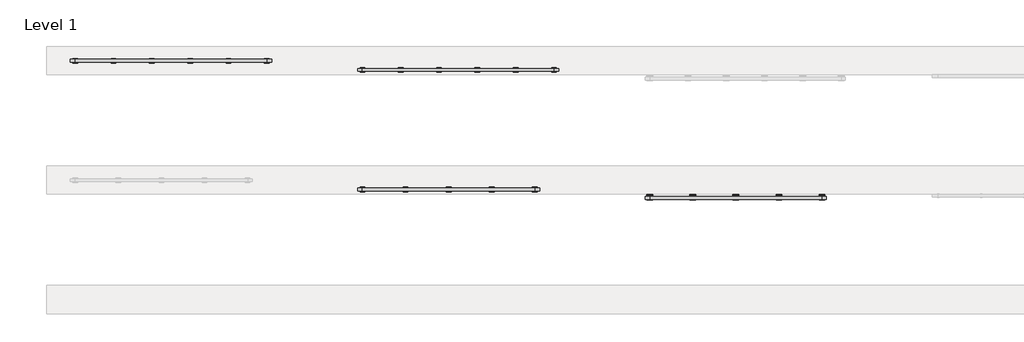
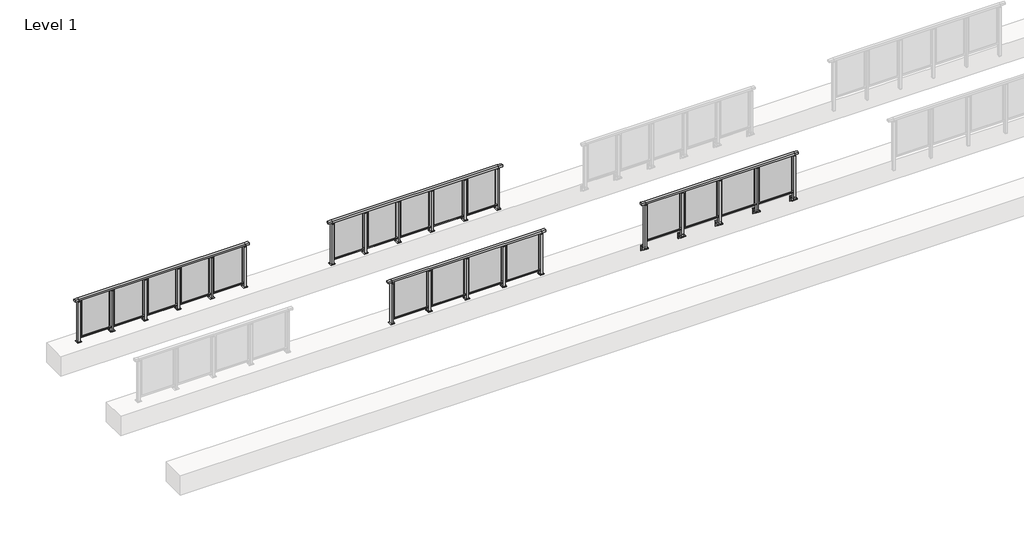
# One storey, part 28 of 37: 4 railings.
"""IFC4 building model written with IfcOpenShell, lengths in millimetres."""

import ifcopenshell
import ifcopenshell.guid

model = None  # the IFC model being written
_history = None  # IfcOwnerHistory: only IFC2X3 demands one
_inside = {}  # id of a spatial element -> (the spatial element, [elements in it])
_under = {}  # id of a project, library or spatial element -> (it, [spatial elements below it])
_declared = {}  # id of a project -> (the project, [libraries it declares])
_typed = {}  # id of a type object -> (the type object, [elements of that type])
_made_of = {}  # id of a material, layer set ... -> (it, [elements and type objects made of it])


def new_model(schema):
    """Start an empty IFC model of exactly this schema.

    Asked for "IFC4X3", IfcOpenShell would pick the latest addendum, in which some entities
    have other attributes; the version numbers below select the first issue.
    IFC2X3 requires an IfcOwnerHistory on every rooted entity: one is made here for all.
    """
    global model, _history
    if schema == "IFC4X3":
        model = ifcopenshell.file(schema_version=(4, 3, 0, 0))
    else:
        model = ifcopenshell.file(schema=schema)
    _inside.clear()
    _under.clear()
    _declared.clear()
    _typed.clear()
    _made_of.clear()
    _history = None
    if model.schema == "IFC2X3":
        org = make("IfcOrganization", Name="unknown")
        user = make(
            "IfcPersonAndOrganization",
            ThePerson=make("IfcPerson", FamilyName="unknown"),
            TheOrganization=org,
        )
        app = make(
            "IfcApplication",
            ApplicationDeveloper=org,
            Version="unknown",
            ApplicationFullName="unknown",
            ApplicationIdentifier="unknown",
        )
        _history = make(
            "IfcOwnerHistory",
            OwningUser=user,
            OwningApplication=app,
            ChangeAction="ADDED",
            CreationDate=0,
        )
    return model


def make(cls, **values):
    """One entity of the class cls with the attributes given. An attribute that is None is left unset."""
    return model.create_entity(
        cls, **{name: value for name, value in values.items() if value is not None}
    )


def rooted(cls, **values):
    """An entity with a GlobalId (a new one), such as an element, a storey or a relation."""
    return make(cls, GlobalId=ifcopenshell.guid.new(), OwnerHistory=_history, **values)


def si_unit(unit_type, name, prefix=None):
    """IfcSIUnit, for example si_unit("LENGTHUNIT", "METRE", prefix="MILLI")."""
    return make("IfcSIUnit", UnitType=unit_type, Prefix=prefix, Name=name)


def assignment(units):
    """IfcUnitAssignment: the units of a project."""
    return None if units is None else make("IfcUnitAssignment", Units=units)


def point(xyz):
    """IfcCartesianPoint."""
    return None if xyz is None else make("IfcCartesianPoint", Coordinates=xyz)


def direction(xyz):
    """IfcDirection."""
    return None if xyz is None else make("IfcDirection", DirectionRatios=xyz)


def frame(location, z_axis=None, x_axis=None):
    """IfcAxis2Placement3D, a coordinate frame: its origin and axes. An axis left out is left unset."""
    return make(
        "IfcAxis2Placement3D",
        Location=point(location),
        Axis=direction(z_axis),
        RefDirection=direction(x_axis),
    )


def frame_2d(location, x_axis=None):
    """IfcAxis2Placement2D, a coordinate frame in the plane: its origin and x axis."""
    return make(
        "IfcAxis2Placement2D", Location=point(location), RefDirection=direction(x_axis)
    )


def origin():
    """The frame at (0, 0, 0) with its axes left unset."""
    return frame((0.0, 0.0, 0.0))


def origin_with_axes():
    """The frame at (0, 0, 0) with the z axis (0, 0, 1) and the x axis (1, 0, 0) written out."""
    return frame((0.0, 0.0, 0.0), z_axis=(0.0, 0.0, 1.0), x_axis=(1.0, 0.0, 0.0))


def place(relative_to, where):
    """IfcLocalPlacement: puts the frame where relative to a parent placement (None: the world)."""
    return make(
        "IfcLocalPlacement", PlacementRelTo=relative_to, RelativePlacement=where
    )


def context(
    kind, dimensions, precision=None, world=None, true_north=None, identifier=None
):
    """IfcGeometricRepresentationContext, for example the 3D "Model" context."""
    return make(
        "IfcGeometricRepresentationContext",
        ContextIdentifier=identifier,
        ContextType=kind,
        CoordinateSpaceDimension=dimensions,
        Precision=precision,
        WorldCoordinateSystem=world,
        TrueNorth=true_north,
    )


def project(units=None, contexts=None):
    """IfcProject with its units and contexts."""
    return rooted(
        "IfcProject",
        Name="project",
        RepresentationContexts=contexts,
        UnitsInContext=assignment(units),
    )


def spatial(cls, under=None, at=None, **own):
    """A site, building, storey or space (cls), placed at a placement, below another one or the project."""
    s = rooted(cls, ObjectPlacement=at, **own)
    if under is not None:
        _under.setdefault(under.id(), (under, []))[1].append(s)
    return s


def polyline(points):
    """IfcPolyline through the points."""
    return make("IfcPolyline", Points=[point(p) for p in points])


def circle_curve(where, radius):
    """IfcCircle in the frame where."""
    return make("IfcCircle", Position=where, Radius=radius)


def trimmed(basis, trim1, trim2, sense, master):
    """IfcTrimmedCurve: the piece of a basis curve between two trims."""
    return make(
        "IfcTrimmedCurve",
        BasisCurve=basis,
        Trim1=trim1,
        Trim2=trim2,
        SenseAgreement=sense,
        MasterRepresentation=master,
    )


def segment(curve, same_sense, transition):
    """IfcCompositeCurveSegment."""
    return make(
        "IfcCompositeCurveSegment",
        Transition=transition,
        SameSense=same_sense,
        ParentCurve=curve,
    )


def composite_curve(segments, self_intersect=None):
    """IfcCompositeCurve: segments joined end to end."""
    return make("IfcCompositeCurve", Segments=segments, SelfIntersect=self_intersect)


def outline(outer, holes=None, kind="AREA"):
    """IfcArbitraryClosedProfileDef: a profile drawn as a closed curve; with holes, ...WithVoids."""
    if holes is None:
        return make("IfcArbitraryClosedProfileDef", ProfileType=kind, OuterCurve=outer)
    return make(
        "IfcArbitraryProfileDefWithVoids",
        ProfileType=kind,
        OuterCurve=outer,
        InnerCurves=holes,
    )


def extrude(swept, where, along, depth):
    """IfcExtrudedAreaSolid: the profile swept, set in the frame where, extruded along a direction by depth."""
    return make(
        "IfcExtrudedAreaSolid",
        SweptArea=swept,
        Position=where,
        ExtrudedDirection=direction(along),
        Depth=depth,
    )


def faces_of(points, faces, orient=None, outer=None):
    """IfcFace entities. A face is a list of loops; a loop is a list of indices into points, from 0.

    orient and outer hold one flag for each loop. By default every Orientation is true, the
    first loop of a face is its IfcFaceOuterBound and the others are IfcFaceBound.
    """
    made = []
    for i, loops in enumerate(faces):
        bounds = []
        for j, loop in enumerate(loops):
            is_outer = j == 0 if outer is None else outer[i][j]
            bounds.append(
                make(
                    "IfcFaceOuterBound" if is_outer else "IfcFaceBound",
                    Bound=make("IfcPolyLoop", Polygon=[points[k] for k in loop]),
                    Orientation=True if orient is None else orient[i][j],
                )
            )
        made.append(make("IfcFace", Bounds=bounds))
    return made


def faceted_brep(points, faces, orient=None, outer=None, voids=None):
    """IfcFacetedBrep: a solid bounded by flat faces; with voids (closed shells), ...WithVoids."""
    shared = [point(p) for p in points]
    hull = make("IfcClosedShell", CfsFaces=faces_of(shared, faces, orient, outer))
    if voids is None:
        return make("IfcFacetedBrep", Outer=hull)
    return make(
        "IfcFacetedBrepWithVoids",
        Outer=hull,
        Voids=[
            make(cls, CfsFaces=faces_of(shared, fs, o, b)) for cls, fs, o, b in voids
        ],
    )


def shape(context_of_items, identifier, shape_type, items):
    """IfcShapeRepresentation: the items that make up one representation, for example the "Body"."""
    return make(
        "IfcShapeRepresentation",
        ContextOfItems=context_of_items,
        RepresentationIdentifier=identifier,
        RepresentationType=shape_type,
        Items=items,
    )


def made_of(thing, what):
    """Note that an element or type object is made of a material, layer set ...; save() writes the relation."""
    if what is not None:
        _made_of.setdefault(what.id(), (what, []))[1].append(thing)
    return thing


def element(
    cls,
    number,
    at=None,
    inside=None,
    cuts=None,
    type_object=None,
    material=None,
    context=None,
    identifier="Body",
    shape_type=None,
    held_by="IfcProductDefinitionShape",
    body=None,
    shapes=None,
    **own,
):
    """One element of the class cls, such as IfcWall. Its Tag is "e" and its number.

    at: its placement. inside: the storey or other place that contains it. cuts: it is an
    opening in that element (IfcRelVoidsElement). A single representation is given by context,
    identifier, shape_type and body (its items); several are given by shapes. held_by: the class
    of the entity that holds the representations. save() writes the other relations.
    """
    e = rooted(cls, Tag="e%d" % number, ObjectPlacement=at, **own)
    if body is not None:
        shapes = [shape(context, identifier, shape_type, body)]
    if shapes is not None:
        e.Representation = make(held_by, Representations=shapes)
    if inside is not None:
        _inside.setdefault(inside.id(), (inside, []))[1].append(e)
    if cuts is not None:
        rooted(
            "IfcRelVoidsElement", RelatingBuildingElement=cuts, RelatedOpeningElement=e
        )
    if type_object is not None:
        _typed.setdefault(type_object.id(), (type_object, []))[1].append(e)
    return made_of(e, material)


def aggregate(whole, parts):
    """IfcRelAggregates: a whole, such as a stair, and the parts it consists of."""
    return rooted("IfcRelAggregates", RelatingObject=whole, RelatedObjects=parts)


def save(model, path):
    """Write the relations noted so far, then the file.

    IfcRelAggregates (storeys below a building ...), IfcRelContainedInSpatialStructure (elements
    in a storey), IfcRelDefinesByType, IfcRelAssociatesMaterial and IfcRelDeclares: one each for
    every whole, place, type object, material and project.
    """
    for whole, parts in _under.values():
        aggregate(whole, parts)
    for where, things in _inside.values():
        rooted(
            "IfcRelContainedInSpatialStructure",
            RelatedElements=things,
            RelatingStructure=where,
        )
    for kind, things in _typed.values():
        rooted("IfcRelDefinesByType", RelatedObjects=things, RelatingType=kind)
    for what, things in _made_of.values():
        rooted("IfcRelAssociatesMaterial", RelatedObjects=things, RelatingMaterial=what)
    for by, libraries in _declared.values():
        rooted("IfcRelDeclares", RelatingContext=by, RelatedDefinitions=libraries)
    model.write(path)


model = new_model("IFC4")

# Units and contexts
model_context = context("Model", 3, world=origin())
ifc_project = project(units=[si_unit("LENGTHUNIT", "METRE", prefix="MILLI")], contexts=[model_context])

# Site, building, storey
site = spatial("IfcSite", under=ifc_project)
building = spatial("IfcBuilding", under=site)
storey = spatial("IfcBuildingStorey", under=building, Name="Level 1", Elevation=0.0)

# Railings
placement = place(None, origin())
element("IfcRailing", 1, at=placement, inside=storey, context=model_context, shape_type="SolidModel", body=[
    faceted_brep([(41910.0, 49847.6846828, 1100.0), (41910.0, 49847.6846828, 1055.0), (41910.0, 49787.6846828, 1055.0), (41910.0, 49787.6846828, 1100.0), (42000.0, 49847.6846828, 1100.0), (42000.0, 49847.6846828, 1055.0), (42000.0, 49787.6846828, 1055.0), (42000.0, 49787.6846828, 1100.0), (45600.0, 49847.6846828, 1100.0), (45600.0, 49847.6846828, 1055.0), (45600.0, 49787.6846828, 1055.0), (45600.0, 49787.6846828, 1100.0), (45690.0, 49847.6846828, 1100.0), (45690.0, 49787.6846828, 1100.0), (45690.0, 49787.6846828, 1055.0), (45690.0, 49847.6846828, 1055.0)], [[[0, 1, 2, 3]], [[1, 0, 4, 5]], [[2, 1, 5, 6]], [[3, 2, 6, 7]], [[0, 3, 7, 4]], [[5, 4, 8, 9]], [[6, 5, 9, 10]], [[7, 6, 10, 11]], [[4, 7, 11, 8]], [[12, 13, 14, 15]], [[9, 8, 12, 15]], [[10, 9, 15, 14]], [[11, 10, 14, 13]], [[8, 11, 13, 12]]]),
    extrude(outline(polyline([(42000.0, 49800.1846828), (42000.0, 49835.1846828), (45600.0, 49835.1846828), (45600.0, 49800.1846828), (42000.0, 49800.1846828)])), frame((0.0, 0.0, 95.0), z_axis=(0.0, 0.0, 1.0), x_axis=(1.0, 0.0, 0.0)), (0.0, 0.0, 1.0), 30.0),
    extrude(outline(polyline([(44772.5, 49815.9094929), (44772.5, 49821.9094929), (45527.5, 49821.9094929), (45527.5, 49815.9094929), (44772.5, 49815.9094929)])), frame((0.0, 0.0, 125.0), z_axis=(0.0, 0.0, 1.0), x_axis=(1.0, 0.0, 0.0)), (0.0, 0.0, 1.0), 930.0),
    extrude(outline(composite_curve([segment(polyline([(49850.1846828, -70.0), (49884.1846828, -63.0), (49884.1846828, -32.5), (49900.1846828, -32.5), (49900.1846828, -167.5), (49884.1846828, -167.5), (49884.1846828, -113.5)]), True, "CONTINUOUS"), segment(trimmed(circle_curve(frame_2d((49864.1846828, -113.5)), 20.0), [point((49884.1846828, -113.5))], [point((49864.1846828, -93.5))], True, "CARTESIAN"), True, "CONTINUOUS"), segment(polyline([(49864.1846828, -93.5), (49780.1846828, -93.5), (49780.1846828, -70.0), (49850.1846828, -70.0)]), True, "CONTINUOUS")], self_intersect=False)), frame((44640.0, 0.0, 0.0), z_axis=(1.0, 0.0, 0.0), x_axis=(0.0, 1.0, 0.0)), (0.0, 0.0, 1.0), 120.0),
    extrude(outline(polyline([(44722.5, 49850.1846828), (44722.5, 49785.1846828), (44677.5, 49785.1846828), (44677.5, 49850.1846828), (44722.5, 49850.1846828)])), frame((0.0, 0.0, -70.0), z_axis=(0.0, 0.0, 1.0), x_axis=(1.0, 0.0, 0.0)), (0.0, 0.0, 1.0), 1097.0),
    extrude(outline(polyline([(44710.0, 49827.6846828), (44710.0, 49807.6846828), (44690.0, 49807.6846828), (44690.0, 49827.6846828), (44710.0, 49827.6846828)])), frame((0.0, 0.0, 1035.0), z_axis=(0.0, 0.0, 1.0), x_axis=(1.0, 0.0, 0.0)), (0.0, 0.0, 1.0), 20.0),
    extrude(outline(polyline([(44722.5, 49850.1846828), (44722.5, 49785.1846828), (44677.5, 49785.1846828), (44677.5, 49850.1846828), (44722.5, 49850.1846828)])), frame((0.0, 0.0, 1027.0), z_axis=(0.0, 0.0, 1.0), x_axis=(1.0, 0.0, 0.0)), (0.0, 0.0, 1.0), 8.0),
    extrude(outline(polyline([(43872.5, 49815.9094929), (43872.5, 49821.9094929), (44627.5, 49821.9094929), (44627.5, 49815.9094929), (43872.5, 49815.9094929)])), frame((0.0, 0.0, 125.0), z_axis=(0.0, 0.0, 1.0), x_axis=(1.0, 0.0, 0.0)), (0.0, 0.0, 1.0), 930.0),
    extrude(outline(composite_curve([segment(polyline([(49850.1846828, -70.0), (49884.1846828, -63.0), (49884.1846828, -32.5), (49900.1846828, -32.5), (49900.1846828, -167.5), (49884.1846828, -167.5), (49884.1846828, -113.5)]), True, "CONTINUOUS"), segment(trimmed(circle_curve(frame_2d((49864.1846828, -113.5)), 20.0), [point((49884.1846828, -113.5))], [point((49864.1846828, -93.5))], True, "CARTESIAN"), True, "CONTINUOUS"), segment(polyline([(49864.1846828, -93.5), (49780.1846828, -93.5), (49780.1846828, -70.0), (49850.1846828, -70.0)]), True, "CONTINUOUS")], self_intersect=False)), frame((43740.0, 0.0, 0.0), z_axis=(1.0, 0.0, 0.0), x_axis=(0.0, 1.0, 0.0)), (0.0, 0.0, 1.0), 120.0),
    extrude(outline(polyline([(43822.5, 49850.1846828), (43822.5, 49785.1846828), (43777.5, 49785.1846828), (43777.5, 49850.1846828), (43822.5, 49850.1846828)])), frame((0.0, 0.0, -70.0), z_axis=(0.0, 0.0, 1.0), x_axis=(1.0, 0.0, 0.0)), (0.0, 0.0, 1.0), 1097.0),
    extrude(outline(polyline([(43810.0, 49827.6846828), (43810.0, 49807.6846828), (43790.0, 49807.6846828), (43790.0, 49827.6846828), (43810.0, 49827.6846828)])), frame((0.0, 0.0, 1035.0), z_axis=(0.0, 0.0, 1.0), x_axis=(1.0, 0.0, 0.0)), (0.0, 0.0, 1.0), 20.0),
    extrude(outline(polyline([(43822.5, 49850.1846828), (43822.5, 49785.1846828), (43777.5, 49785.1846828), (43777.5, 49850.1846828), (43822.5, 49850.1846828)])), frame((0.0, 0.0, 1027.0), z_axis=(0.0, 0.0, 1.0), x_axis=(1.0, 0.0, 0.0)), (0.0, 0.0, 1.0), 8.0),
    extrude(outline(polyline([(42972.5, 49815.9094929), (42972.5, 49821.9094929), (43727.5, 49821.9094929), (43727.5, 49815.9094929), (42972.5, 49815.9094929)])), frame((0.0, 0.0, 125.0), z_axis=(0.0, 0.0, 1.0), x_axis=(1.0, 0.0, 0.0)), (0.0, 0.0, 1.0), 930.0),
    extrude(outline(composite_curve([segment(polyline([(49850.1846828, -70.0), (49884.1846828, -63.0), (49884.1846828, -32.5), (49900.1846828, -32.5), (49900.1846828, -167.5), (49884.1846828, -167.5), (49884.1846828, -113.5)]), True, "CONTINUOUS"), segment(trimmed(circle_curve(frame_2d((49864.1846828, -113.5)), 20.0), [point((49884.1846828, -113.5))], [point((49864.1846828, -93.5))], True, "CARTESIAN"), True, "CONTINUOUS"), segment(polyline([(49864.1846828, -93.5), (49780.1846828, -93.5), (49780.1846828, -70.0), (49850.1846828, -70.0)]), True, "CONTINUOUS")], self_intersect=False)), frame((42840.0, 0.0, 0.0), z_axis=(1.0, 0.0, 0.0), x_axis=(0.0, 1.0, 0.0)), (0.0, 0.0, 1.0), 120.0),
    extrude(outline(polyline([(42922.5, 49850.1846828), (42922.5, 49785.1846828), (42877.5, 49785.1846828), (42877.5, 49850.1846828), (42922.5, 49850.1846828)])), frame((0.0, 0.0, -70.0), z_axis=(0.0, 0.0, 1.0), x_axis=(1.0, 0.0, 0.0)), (0.0, 0.0, 1.0), 1097.0),
    extrude(outline(polyline([(42910.0, 49827.6846828), (42910.0, 49807.6846828), (42890.0, 49807.6846828), (42890.0, 49827.6846828), (42910.0, 49827.6846828)])), frame((0.0, 0.0, 1035.0), z_axis=(0.0, 0.0, 1.0), x_axis=(1.0, 0.0, 0.0)), (0.0, 0.0, 1.0), 20.0),
    extrude(outline(polyline([(42922.5, 49850.1846828), (42922.5, 49785.1846828), (42877.5, 49785.1846828), (42877.5, 49850.1846828), (42922.5, 49850.1846828)])), frame((0.0, 0.0, 1027.0), z_axis=(0.0, 0.0, 1.0), x_axis=(1.0, 0.0, 0.0)), (0.0, 0.0, 1.0), 8.0),
    extrude(outline(polyline([(42072.5, 49815.9094929), (42072.5, 49821.9094929), (42827.5, 49821.9094929), (42827.5, 49815.9094929), (42072.5, 49815.9094929)])), frame((0.0, 0.0, 125.0), z_axis=(0.0, 0.0, 1.0), x_axis=(1.0, 0.0, 0.0)), (0.0, 0.0, 1.0), 930.0),
    extrude(outline(composite_curve([segment(polyline([(49850.1846828, -70.0), (49884.1846828, -63.0), (49884.1846828, -32.5), (49900.1846828, -32.5), (49900.1846828, -167.5), (49884.1846828, -167.5), (49884.1846828, -113.5)]), True, "CONTINUOUS"), segment(trimmed(circle_curve(frame_2d((49864.1846828, -113.5)), 20.0), [point((49884.1846828, -113.5))], [point((49864.1846828, -93.5))], True, "CARTESIAN"), True, "CONTINUOUS"), segment(polyline([(49864.1846828, -93.5), (49780.1846828, -93.5), (49780.1846828, -70.0), (49850.1846828, -70.0)]), True, "CONTINUOUS")], self_intersect=False)), frame((45540.0, 0.0, 0.0), z_axis=(1.0, 0.0, 0.0), x_axis=(0.0, 1.0, 0.0)), (0.0, 0.0, 1.0), 120.0),
    extrude(outline(polyline([(45622.5, 49850.1846828), (45622.5, 49785.1846828), (45577.5, 49785.1846828), (45577.5, 49850.1846828), (45622.5, 49850.1846828)])), frame((0.0, 0.0, -70.0), z_axis=(0.0, 0.0, 1.0), x_axis=(1.0, 0.0, 0.0)), (0.0, 0.0, 1.0), 1097.0),
    extrude(outline(polyline([(45610.0, 49827.6846828), (45610.0, 49807.6846828), (45590.0, 49807.6846828), (45590.0, 49827.6846828), (45610.0, 49827.6846828)])), frame((0.0, 0.0, 1035.0), z_axis=(0.0, 0.0, 1.0), x_axis=(1.0, 0.0, 0.0)), (0.0, 0.0, 1.0), 20.0),
    extrude(outline(polyline([(45622.5, 49850.1846828), (45622.5, 49785.1846828), (45577.5, 49785.1846828), (45577.5, 49850.1846828), (45622.5, 49850.1846828)])), frame((0.0, 0.0, 1027.0), z_axis=(0.0, 0.0, 1.0), x_axis=(1.0, 0.0, 0.0)), (0.0, 0.0, 1.0), 8.0),
    extrude(outline(composite_curve([segment(polyline([(49850.1846828, -70.0), (49884.1846828, -63.0), (49884.1846828, -32.5), (49900.1846828, -32.5), (49900.1846828, -167.5), (49884.1846828, -167.5), (49884.1846828, -113.5)]), True, "CONTINUOUS"), segment(trimmed(circle_curve(frame_2d((49864.1846828, -113.5)), 20.0), [point((49884.1846828, -113.5))], [point((49864.1846828, -93.5))], True, "CARTESIAN"), True, "CONTINUOUS"), segment(polyline([(49864.1846828, -93.5), (49780.1846828, -93.5), (49780.1846828, -70.0), (49850.1846828, -70.0)]), True, "CONTINUOUS")], self_intersect=False)), frame((41940.0, 0.0, 0.0), z_axis=(1.0, 0.0, 0.0), x_axis=(0.0, 1.0, 0.0)), (0.0, 0.0, 1.0), 120.0),
    extrude(outline(polyline([(42022.5, 49850.1846828), (42022.5, 49785.1846828), (41977.5, 49785.1846828), (41977.5, 49850.1846828), (42022.5, 49850.1846828)])), frame((0.0, 0.0, -70.0), z_axis=(0.0, 0.0, 1.0), x_axis=(1.0, 0.0, 0.0)), (0.0, 0.0, 1.0), 1097.0),
    extrude(outline(polyline([(42010.0, 49827.6846828), (42010.0, 49807.6846828), (41990.0, 49807.6846828), (41990.0, 49827.6846828), (42010.0, 49827.6846828)])), frame((0.0, 0.0, 1035.0), z_axis=(0.0, 0.0, 1.0), x_axis=(1.0, 0.0, 0.0)), (0.0, 0.0, 1.0), 20.0),
    extrude(outline(polyline([(42022.5, 49850.1846828), (42022.5, 49785.1846828), (41977.5, 49785.1846828), (41977.5, 49850.1846828), (42022.5, 49850.1846828)])), frame((0.0, 0.0, 1027.0), z_axis=(0.0, 0.0, 1.0), x_axis=(1.0, 0.0, 0.0)), (0.0, 0.0, 1.0), 8.0),
])
element("IfcRailing", 2, at=placement, inside=storey, context=model_context, shape_type="SolidModel", body=[
    faceted_brep([(36000.0, 50030.1846828, 1055.0), (36000.0, 50030.1846828, 1100.0), (39600.0, 50030.1846828, 1100.0), (39600.0, 50030.1846828, 1055.0), (36000.0, 49970.1846828, 1055.0), (39600.0, 49970.1846828, 1055.0), (36000.0, 49970.1846828, 1100.0), (39600.0, 49970.1846828, 1100.0), (35900.0, 50030.1846828, 1100.0), (35900.0, 50030.1846828, 1055.0), (35900.0, 49970.1846828, 1055.0), (35900.0, 49970.1846828, 1100.0), (39700.0, 50030.1846828, 1100.0), (39700.0, 49970.1846828, 1100.0), (39700.0, 49970.1846828, 1055.0), (39700.0, 50030.1846828, 1055.0)], [[[0, 1, 2, 3]], [[4, 0, 3, 5]], [[6, 4, 5, 7]], [[1, 6, 7, 2]], [[8, 9, 10, 11]], [[9, 8, 1, 0]], [[10, 9, 0, 4]], [[11, 10, 4, 6]], [[8, 11, 6, 1]], [[12, 13, 14, 15]], [[3, 2, 12, 15]], [[5, 3, 15, 14]], [[7, 5, 14, 13]], [[2, 7, 13, 12]]]),
    extrude(outline(polyline([(36000.0, 49982.6846828), (36000.0, 50017.6846828), (39600.0, 50017.6846828), (39600.0, 49982.6846828), (36000.0, 49982.6846828)])), frame((0.0, 0.0, 95.0), z_axis=(0.0, 0.0, 1.0), x_axis=(1.0, 0.0, 0.0)), (0.0, 0.0, 1.0), 30.0),
    extrude(outline(polyline([(38772.5, 50001.9598727), (39527.5, 50001.9598727), (39527.5, 49995.9598727), (38772.5, 49995.9598727), (38772.5, 50001.9598727)])), frame((0.0, 0.0, 125.0), z_axis=(0.0, 0.0, 1.0), x_axis=(1.0, 0.0, 0.0)), (0.0, 0.0, 1.0), 930.0),
    extrude(outline(polyline([(38710.0, 49990.1846828), (38690.0, 49990.1846828), (38690.0, 50010.1846828), (38710.0, 50010.1846828), (38710.0, 49990.1846828)])), frame((0.0, 0.0, 1035.0), z_axis=(0.0, 0.0, 1.0), x_axis=(1.0, 0.0, 0.0)), (0.0, 0.0, 1.0), 20.0),
    extrude(outline(polyline([(38722.5, 49967.6846828), (38677.5, 49967.6846828), (38677.5, 50032.6846828), (38722.5, 50032.6846828), (38722.5, 49967.6846828)])), frame((0.0, 0.0, 1027.0), z_axis=(0.0, 0.0, 1.0), x_axis=(1.0, 0.0, 0.0)), (0.0, 0.0, 1.0), 8.0),
    extrude(outline(polyline([(38750.0, 49950.1846828), (38650.0, 49950.1846828), (38650.0, 50050.1846828), (38750.0, 50050.1846828), (38750.0, 49950.1846828)])), origin_with_axes(), (0.0, 0.0, 1.0), 12.0),
    extrude(outline(polyline([(38722.5, 49967.6846828), (38677.5, 49967.6846828), (38677.5, 50032.6846828), (38722.5, 50032.6846828), (38722.5, 49967.6846828)])), frame((0.0, 0.0, 12.0), z_axis=(0.0, 0.0, 1.0), x_axis=(1.0, 0.0, 0.0)), (0.0, 0.0, 1.0), 1015.0),
    extrude(outline(polyline([(37872.5, 50001.9598727), (38627.5, 50001.9598727), (38627.5, 49995.9598727), (37872.5, 49995.9598727), (37872.5, 50001.9598727)])), frame((0.0, 0.0, 125.0), z_axis=(0.0, 0.0, 1.0), x_axis=(1.0, 0.0, 0.0)), (0.0, 0.0, 1.0), 930.0),
    extrude(outline(polyline([(37810.0, 49990.1846828), (37790.0, 49990.1846828), (37790.0, 50010.1846828), (37810.0, 50010.1846828), (37810.0, 49990.1846828)])), frame((0.0, 0.0, 1035.0), z_axis=(0.0, 0.0, 1.0), x_axis=(1.0, 0.0, 0.0)), (0.0, 0.0, 1.0), 20.0),
    extrude(outline(polyline([(37822.5, 49967.6846828), (37777.5, 49967.6846828), (37777.5, 50032.6846828), (37822.5, 50032.6846828), (37822.5, 49967.6846828)])), frame((0.0, 0.0, 1027.0), z_axis=(0.0, 0.0, 1.0), x_axis=(1.0, 0.0, 0.0)), (0.0, 0.0, 1.0), 8.0),
    extrude(outline(polyline([(37850.0, 49950.1846828), (37750.0, 49950.1846828), (37750.0, 50050.1846828), (37850.0, 50050.1846828), (37850.0, 49950.1846828)])), origin_with_axes(), (0.0, 0.0, 1.0), 12.0),
    extrude(outline(polyline([(37822.5, 49967.6846828), (37777.5, 49967.6846828), (37777.5, 50032.6846828), (37822.5, 50032.6846828), (37822.5, 49967.6846828)])), frame((0.0, 0.0, 12.0), z_axis=(0.0, 0.0, 1.0), x_axis=(1.0, 0.0, 0.0)), (0.0, 0.0, 1.0), 1015.0),
    extrude(outline(polyline([(36972.5, 50001.9598727), (37727.5, 50001.9598727), (37727.5, 49995.9598727), (36972.5, 49995.9598727), (36972.5, 50001.9598727)])), frame((0.0, 0.0, 125.0), z_axis=(0.0, 0.0, 1.0), x_axis=(1.0, 0.0, 0.0)), (0.0, 0.0, 1.0), 930.0),
    extrude(outline(polyline([(36910.0, 49990.1846828), (36890.0, 49990.1846828), (36890.0, 50010.1846828), (36910.0, 50010.1846828), (36910.0, 49990.1846828)])), frame((0.0, 0.0, 1035.0), z_axis=(0.0, 0.0, 1.0), x_axis=(1.0, 0.0, 0.0)), (0.0, 0.0, 1.0), 20.0),
    extrude(outline(polyline([(36922.5, 49967.6846828), (36877.5, 49967.6846828), (36877.5, 50032.6846828), (36922.5, 50032.6846828), (36922.5, 49967.6846828)])), frame((0.0, 0.0, 1027.0), z_axis=(0.0, 0.0, 1.0), x_axis=(1.0, 0.0, 0.0)), (0.0, 0.0, 1.0), 8.0),
    extrude(outline(polyline([(36950.0, 49950.1846828), (36850.0, 49950.1846828), (36850.0, 50050.1846828), (36950.0, 50050.1846828), (36950.0, 49950.1846828)])), origin_with_axes(), (0.0, 0.0, 1.0), 12.0),
    extrude(outline(polyline([(36922.5, 49967.6846828), (36877.5, 49967.6846828), (36877.5, 50032.6846828), (36922.5, 50032.6846828), (36922.5, 49967.6846828)])), frame((0.0, 0.0, 12.0), z_axis=(0.0, 0.0, 1.0), x_axis=(1.0, 0.0, 0.0)), (0.0, 0.0, 1.0), 1015.0),
    extrude(outline(polyline([(36072.5, 50001.9598727), (36827.5, 50001.9598727), (36827.5, 49995.9598727), (36072.5, 49995.9598727), (36072.5, 50001.9598727)])), frame((0.0, 0.0, 125.0), z_axis=(0.0, 0.0, 1.0), x_axis=(1.0, 0.0, 0.0)), (0.0, 0.0, 1.0), 930.0),
    extrude(outline(polyline([(39610.0, 49990.1846828), (39590.0, 49990.1846828), (39590.0, 50010.1846828), (39610.0, 50010.1846828), (39610.0, 49990.1846828)])), frame((0.0, 0.0, 1035.0), z_axis=(0.0, 0.0, 1.0), x_axis=(1.0, 0.0, 0.0)), (0.0, 0.0, 1.0), 20.0),
    extrude(outline(polyline([(39622.5, 49967.6846828), (39577.5, 49967.6846828), (39577.5, 50032.6846828), (39622.5, 50032.6846828), (39622.5, 49967.6846828)])), frame((0.0, 0.0, 1027.0), z_axis=(0.0, 0.0, 1.0), x_axis=(1.0, 0.0, 0.0)), (0.0, 0.0, 1.0), 8.0),
    extrude(outline(polyline([(39650.0, 49950.1846828), (39550.0, 49950.1846828), (39550.0, 50050.1846828), (39650.0, 50050.1846828), (39650.0, 49950.1846828)])), origin_with_axes(), (0.0, 0.0, 1.0), 12.0),
    extrude(outline(polyline([(39622.5, 49967.6846828), (39577.5, 49967.6846828), (39577.5, 50032.6846828), (39622.5, 50032.6846828), (39622.5, 49967.6846828)])), frame((0.0, 0.0, 12.0), z_axis=(0.0, 0.0, 1.0), x_axis=(1.0, 0.0, 0.0)), (0.0, 0.0, 1.0), 1015.0),
    extrude(outline(polyline([(36010.0, 49990.1846828), (35990.0, 49990.1846828), (35990.0, 50010.1846828), (36010.0, 50010.1846828), (36010.0, 49990.1846828)])), frame((0.0, 0.0, 1035.0), z_axis=(0.0, 0.0, 1.0), x_axis=(1.0, 0.0, 0.0)), (0.0, 0.0, 1.0), 20.0),
    extrude(outline(polyline([(36022.5, 49967.6846828), (35977.5, 49967.6846828), (35977.5, 50032.6846828), (36022.5, 50032.6846828), (36022.5, 49967.6846828)])), frame((0.0, 0.0, 1027.0), z_axis=(0.0, 0.0, 1.0), x_axis=(1.0, 0.0, 0.0)), (0.0, 0.0, 1.0), 8.0),
    extrude(outline(polyline([(36050.0, 49950.1846828), (35950.0, 49950.1846828), (35950.0, 50050.1846828), (36050.0, 50050.1846828), (36050.0, 49950.1846828)])), origin_with_axes(), (0.0, 0.0, 1.0), 12.0),
    extrude(outline(polyline([(36022.5, 49967.6846828), (35977.5, 49967.6846828), (35977.5, 50032.6846828), (36022.5, 50032.6846828), (36022.5, 49967.6846828)])), frame((0.0, 0.0, 12.0), z_axis=(0.0, 0.0, 1.0), x_axis=(1.0, 0.0, 0.0)), (0.0, 0.0, 1.0), 1015.0),
])
element("IfcRailing", 3, at=placement, inside=storey, context=model_context, shape_type="SolidModel", body=[
    faceted_brep([(30000.0, 52720.1846828, 1055.0), (30000.0, 52720.1846828, 1100.0), (34000.0, 52720.1846828, 1100.0), (34000.0, 52720.1846828, 1055.0), (30000.0, 52660.1846828, 1055.0), (34000.0, 52660.1846828, 1055.0), (30000.0, 52660.1846828, 1100.0), (34000.0, 52660.1846828, 1100.0), (29900.0, 52720.1846828, 1100.0), (29900.0, 52720.1846828, 1055.0), (29900.0, 52660.1846828, 1055.0), (29900.0, 52660.1846828, 1100.0), (34100.0, 52720.1846828, 1100.0), (34100.0, 52660.1846828, 1100.0), (34100.0, 52660.1846828, 1055.0), (34100.0, 52720.1846828, 1055.0)], [[[0, 1, 2, 3]], [[4, 0, 3, 5]], [[6, 4, 5, 7]], [[1, 6, 7, 2]], [[8, 9, 10, 11]], [[9, 8, 1, 0]], [[10, 9, 0, 4]], [[11, 10, 4, 6]], [[8, 11, 6, 1]], [[12, 13, 14, 15]], [[3, 2, 12, 15]], [[5, 3, 15, 14]], [[7, 5, 14, 13]], [[2, 7, 13, 12]]]),
    extrude(outline(polyline([(30000.0, 52672.6846828), (30000.0, 52707.6846828), (34000.0, 52707.6846828), (34000.0, 52672.6846828), (30000.0, 52672.6846828)])), frame((0.0, 0.0, 95.0), z_axis=(0.0, 0.0, 1.0), x_axis=(1.0, 0.0, 0.0)), (0.0, 0.0, 1.0), 30.0),
    extrude(outline(polyline([(33272.5, 52691.9598727), (33927.5, 52691.9598727), (33927.5, 52685.9598727), (33272.5, 52685.9598727), (33272.5, 52691.9598727)])), frame((0.0, 0.0, 125.0), z_axis=(0.0, 0.0, 1.0), x_axis=(1.0, 0.0, 0.0)), (0.0, 0.0, 1.0), 930.0),
    extrude(outline(polyline([(33210.0, 52680.1846828), (33190.0, 52680.1846828), (33190.0, 52700.1846828), (33210.0, 52700.1846828), (33210.0, 52680.1846828)])), frame((0.0, 0.0, 1035.0), z_axis=(0.0, 0.0, 1.0), x_axis=(1.0, 0.0, 0.0)), (0.0, 0.0, 1.0), 20.0),
    extrude(outline(polyline([(33222.5, 52657.6846828), (33177.5, 52657.6846828), (33177.5, 52722.6846828), (33222.5, 52722.6846828), (33222.5, 52657.6846828)])), frame((0.0, 0.0, 1027.0), z_axis=(0.0, 0.0, 1.0), x_axis=(1.0, 0.0, 0.0)), (0.0, 0.0, 1.0), 8.0),
    extrude(outline(polyline([(33250.0, 52640.1846828), (33150.0, 52640.1846828), (33150.0, 52740.1846828), (33250.0, 52740.1846828), (33250.0, 52640.1846828)])), origin_with_axes(), (0.0, 0.0, 1.0), 12.0),
    extrude(outline(polyline([(33222.5, 52657.6846828), (33177.5, 52657.6846828), (33177.5, 52722.6846828), (33222.5, 52722.6846828), (33222.5, 52657.6846828)])), frame((0.0, 0.0, 12.0), z_axis=(0.0, 0.0, 1.0), x_axis=(1.0, 0.0, 0.0)), (0.0, 0.0, 1.0), 1015.0),
    extrude(outline(polyline([(32472.5, 52691.9598727), (33127.5, 52691.9598727), (33127.5, 52685.9598727), (32472.5, 52685.9598727), (32472.5, 52691.9598727)])), frame((0.0, 0.0, 125.0), z_axis=(0.0, 0.0, 1.0), x_axis=(1.0, 0.0, 0.0)), (0.0, 0.0, 1.0), 930.0),
    extrude(outline(polyline([(32410.0, 52680.1846828), (32390.0, 52680.1846828), (32390.0, 52700.1846828), (32410.0, 52700.1846828), (32410.0, 52680.1846828)])), frame((0.0, 0.0, 1035.0), z_axis=(0.0, 0.0, 1.0), x_axis=(1.0, 0.0, 0.0)), (0.0, 0.0, 1.0), 20.0),
    extrude(outline(polyline([(32422.5, 52657.6846828), (32377.5, 52657.6846828), (32377.5, 52722.6846828), (32422.5, 52722.6846828), (32422.5, 52657.6846828)])), frame((0.0, 0.0, 1027.0), z_axis=(0.0, 0.0, 1.0), x_axis=(1.0, 0.0, 0.0)), (0.0, 0.0, 1.0), 8.0),
    extrude(outline(polyline([(32450.0, 52640.1846828), (32350.0, 52640.1846828), (32350.0, 52740.1846828), (32450.0, 52740.1846828), (32450.0, 52640.1846828)])), origin_with_axes(), (0.0, 0.0, 1.0), 12.0),
    extrude(outline(polyline([(32422.5, 52657.6846828), (32377.5, 52657.6846828), (32377.5, 52722.6846828), (32422.5, 52722.6846828), (32422.5, 52657.6846828)])), frame((0.0, 0.0, 12.0), z_axis=(0.0, 0.0, 1.0), x_axis=(1.0, 0.0, 0.0)), (0.0, 0.0, 1.0), 1015.0),
    extrude(outline(polyline([(31672.5, 52691.9598727), (32327.5, 52691.9598727), (32327.5, 52685.9598727), (31672.5, 52685.9598727), (31672.5, 52691.9598727)])), frame((0.0, 0.0, 125.0), z_axis=(0.0, 0.0, 1.0), x_axis=(1.0, 0.0, 0.0)), (0.0, 0.0, 1.0), 930.0),
    extrude(outline(polyline([(31610.0, 52680.1846828), (31590.0, 52680.1846828), (31590.0, 52700.1846828), (31610.0, 52700.1846828), (31610.0, 52680.1846828)])), frame((0.0, 0.0, 1035.0), z_axis=(0.0, 0.0, 1.0), x_axis=(1.0, 0.0, 0.0)), (0.0, 0.0, 1.0), 20.0),
    extrude(outline(polyline([(31622.5, 52657.6846828), (31577.5, 52657.6846828), (31577.5, 52722.6846828), (31622.5, 52722.6846828), (31622.5, 52657.6846828)])), frame((0.0, 0.0, 1027.0), z_axis=(0.0, 0.0, 1.0), x_axis=(1.0, 0.0, 0.0)), (0.0, 0.0, 1.0), 8.0),
    extrude(outline(polyline([(31650.0, 52640.1846828), (31550.0, 52640.1846828), (31550.0, 52740.1846828), (31650.0, 52740.1846828), (31650.0, 52640.1846828)])), origin_with_axes(), (0.0, 0.0, 1.0), 12.0),
    extrude(outline(polyline([(31622.5, 52657.6846828), (31577.5, 52657.6846828), (31577.5, 52722.6846828), (31622.5, 52722.6846828), (31622.5, 52657.6846828)])), frame((0.0, 0.0, 12.0), z_axis=(0.0, 0.0, 1.0), x_axis=(1.0, 0.0, 0.0)), (0.0, 0.0, 1.0), 1015.0),
    extrude(outline(polyline([(30872.5, 52691.9598727), (31527.5, 52691.9598727), (31527.5, 52685.9598727), (30872.5, 52685.9598727), (30872.5, 52691.9598727)])), frame((0.0, 0.0, 125.0), z_axis=(0.0, 0.0, 1.0), x_axis=(1.0, 0.0, 0.0)), (0.0, 0.0, 1.0), 930.0),
    extrude(outline(polyline([(30810.0, 52680.1846828), (30790.0, 52680.1846828), (30790.0, 52700.1846828), (30810.0, 52700.1846828), (30810.0, 52680.1846828)])), frame((0.0, 0.0, 1035.0), z_axis=(0.0, 0.0, 1.0), x_axis=(1.0, 0.0, 0.0)), (0.0, 0.0, 1.0), 20.0),
    extrude(outline(polyline([(30822.5, 52657.6846828), (30777.5, 52657.6846828), (30777.5, 52722.6846828), (30822.5, 52722.6846828), (30822.5, 52657.6846828)])), frame((0.0, 0.0, 1027.0), z_axis=(0.0, 0.0, 1.0), x_axis=(1.0, 0.0, 0.0)), (0.0, 0.0, 1.0), 8.0),
    extrude(outline(polyline([(30850.0, 52640.1846828), (30750.0, 52640.1846828), (30750.0, 52740.1846828), (30850.0, 52740.1846828), (30850.0, 52640.1846828)])), origin_with_axes(), (0.0, 0.0, 1.0), 12.0),
    extrude(outline(polyline([(30822.5, 52657.6846828), (30777.5, 52657.6846828), (30777.5, 52722.6846828), (30822.5, 52722.6846828), (30822.5, 52657.6846828)])), frame((0.0, 0.0, 12.0), z_axis=(0.0, 0.0, 1.0), x_axis=(1.0, 0.0, 0.0)), (0.0, 0.0, 1.0), 1015.0),
    extrude(outline(polyline([(30072.5, 52691.9598727), (30727.5, 52691.9598727), (30727.5, 52685.9598727), (30072.5, 52685.9598727), (30072.5, 52691.9598727)])), frame((0.0, 0.0, 125.0), z_axis=(0.0, 0.0, 1.0), x_axis=(1.0, 0.0, 0.0)), (0.0, 0.0, 1.0), 930.0),
    extrude(outline(polyline([(34010.0, 52680.1846828), (33990.0, 52680.1846828), (33990.0, 52700.1846828), (34010.0, 52700.1846828), (34010.0, 52680.1846828)])), frame((0.0, 0.0, 1035.0), z_axis=(0.0, 0.0, 1.0), x_axis=(1.0, 0.0, 0.0)), (0.0, 0.0, 1.0), 20.0),
    extrude(outline(polyline([(34022.5, 52657.6846828), (33977.5, 52657.6846828), (33977.5, 52722.6846828), (34022.5, 52722.6846828), (34022.5, 52657.6846828)])), frame((0.0, 0.0, 1027.0), z_axis=(0.0, 0.0, 1.0), x_axis=(1.0, 0.0, 0.0)), (0.0, 0.0, 1.0), 8.0),
    extrude(outline(polyline([(34050.0, 52640.1846828), (33950.0, 52640.1846828), (33950.0, 52740.1846828), (34050.0, 52740.1846828), (34050.0, 52640.1846828)])), origin_with_axes(), (0.0, 0.0, 1.0), 12.0),
    extrude(outline(polyline([(34022.5, 52657.6846828), (33977.5, 52657.6846828), (33977.5, 52722.6846828), (34022.5, 52722.6846828), (34022.5, 52657.6846828)])), frame((0.0, 0.0, 12.0), z_axis=(0.0, 0.0, 1.0), x_axis=(1.0, 0.0, 0.0)), (0.0, 0.0, 1.0), 1015.0),
    extrude(outline(polyline([(30010.0, 52680.1846828), (29990.0, 52680.1846828), (29990.0, 52700.1846828), (30010.0, 52700.1846828), (30010.0, 52680.1846828)])), frame((0.0, 0.0, 1035.0), z_axis=(0.0, 0.0, 1.0), x_axis=(1.0, 0.0, 0.0)), (0.0, 0.0, 1.0), 20.0),
    extrude(outline(polyline([(30022.5, 52657.6846828), (29977.5, 52657.6846828), (29977.5, 52722.6846828), (30022.5, 52722.6846828), (30022.5, 52657.6846828)])), frame((0.0, 0.0, 1027.0), z_axis=(0.0, 0.0, 1.0), x_axis=(1.0, 0.0, 0.0)), (0.0, 0.0, 1.0), 8.0),
    extrude(outline(polyline([(30050.0, 52640.1846828), (29950.0, 52640.1846828), (29950.0, 52740.1846828), (30050.0, 52740.1846828), (30050.0, 52640.1846828)])), origin_with_axes(), (0.0, 0.0, 1.0), 12.0),
    extrude(outline(polyline([(30022.5, 52657.6846828), (29977.5, 52657.6846828), (29977.5, 52722.6846828), (30022.5, 52722.6846828), (30022.5, 52657.6846828)])), frame((0.0, 0.0, 12.0), z_axis=(0.0, 0.0, 1.0), x_axis=(1.0, 0.0, 0.0)), (0.0, 0.0, 1.0), 1015.0),
])
element("IfcRailing", 4, at=placement, inside=storey, context=model_context, shape_type="SolidModel", body=[
    faceted_brep([(36000.0, 52530.1846828, 1055.0), (36000.0, 52530.1846828, 1100.0), (40000.0, 52530.1846828, 1100.0), (40000.0, 52530.1846828, 1055.0), (36000.0, 52470.1846828, 1055.0), (40000.0, 52470.1846828, 1055.0), (36000.0, 52470.1846828, 1100.0), (40000.0, 52470.1846828, 1100.0), (35900.0, 52530.1846828, 1100.0), (35900.0, 52530.1846828, 1055.0), (35900.0, 52470.1846828, 1055.0), (35900.0, 52470.1846828, 1100.0), (40100.0, 52530.1846828, 1100.0), (40100.0, 52470.1846828, 1100.0), (40100.0, 52470.1846828, 1055.0), (40100.0, 52530.1846828, 1055.0)], [[[0, 1, 2, 3]], [[4, 0, 3, 5]], [[6, 4, 5, 7]], [[1, 6, 7, 2]], [[8, 9, 10, 11]], [[9, 8, 1, 0]], [[10, 9, 0, 4]], [[11, 10, 4, 6]], [[8, 11, 6, 1]], [[12, 13, 14, 15]], [[3, 2, 12, 15]], [[5, 3, 15, 14]], [[7, 5, 14, 13]], [[2, 7, 13, 12]]]),
    extrude(outline(polyline([(36000.0, 52482.6846828), (36000.0, 52517.6846828), (40000.0, 52517.6846828), (40000.0, 52482.6846828), (36000.0, 52482.6846828)])), frame((0.0, 0.0, 95.0), z_axis=(0.0, 0.0, 1.0), x_axis=(1.0, 0.0, 0.0)), (0.0, 0.0, 1.0), 30.0),
    extrude(outline(polyline([(39272.5, 52501.9598727), (39927.5, 52501.9598727), (39927.5, 52495.9598727), (39272.5, 52495.9598727), (39272.5, 52501.9598727)])), frame((0.0, 0.0, 125.0), z_axis=(0.0, 0.0, 1.0), x_axis=(1.0, 0.0, 0.0)), (0.0, 0.0, 1.0), 930.0),
    extrude(outline(polyline([(39210.0, 52490.1846828), (39190.0, 52490.1846828), (39190.0, 52510.1846828), (39210.0, 52510.1846828), (39210.0, 52490.1846828)])), frame((0.0, 0.0, 1035.0), z_axis=(0.0, 0.0, 1.0), x_axis=(1.0, 0.0, 0.0)), (0.0, 0.0, 1.0), 20.0),
    extrude(outline(polyline([(39222.5, 52467.6846828), (39177.5, 52467.6846828), (39177.5, 52532.6846828), (39222.5, 52532.6846828), (39222.5, 52467.6846828)])), frame((0.0, 0.0, 1027.0), z_axis=(0.0, 0.0, 1.0), x_axis=(1.0, 0.0, 0.0)), (0.0, 0.0, 1.0), 8.0),
    extrude(outline(polyline([(39250.0, 52450.1846828), (39150.0, 52450.1846828), (39150.0, 52550.1846828), (39250.0, 52550.1846828), (39250.0, 52450.1846828)])), origin_with_axes(), (0.0, 0.0, 1.0), 12.0),
    extrude(outline(polyline([(39222.5, 52467.6846828), (39177.5, 52467.6846828), (39177.5, 52532.6846828), (39222.5, 52532.6846828), (39222.5, 52467.6846828)])), frame((0.0, 0.0, 12.0), z_axis=(0.0, 0.0, 1.0), x_axis=(1.0, 0.0, 0.0)), (0.0, 0.0, 1.0), 1015.0),
    extrude(outline(polyline([(38472.5, 52501.9598727), (39127.5, 52501.9598727), (39127.5, 52495.9598727), (38472.5, 52495.9598727), (38472.5, 52501.9598727)])), frame((0.0, 0.0, 125.0), z_axis=(0.0, 0.0, 1.0), x_axis=(1.0, 0.0, 0.0)), (0.0, 0.0, 1.0), 930.0),
    extrude(outline(polyline([(38410.0, 52490.1846828), (38390.0, 52490.1846828), (38390.0, 52510.1846828), (38410.0, 52510.1846828), (38410.0, 52490.1846828)])), frame((0.0, 0.0, 1035.0), z_axis=(0.0, 0.0, 1.0), x_axis=(1.0, 0.0, 0.0)), (0.0, 0.0, 1.0), 20.0),
    extrude(outline(polyline([(38422.5, 52467.6846828), (38377.5, 52467.6846828), (38377.5, 52532.6846828), (38422.5, 52532.6846828), (38422.5, 52467.6846828)])), frame((0.0, 0.0, 1027.0), z_axis=(0.0, 0.0, 1.0), x_axis=(1.0, 0.0, 0.0)), (0.0, 0.0, 1.0), 8.0),
    extrude(outline(polyline([(38450.0, 52450.1846828), (38350.0, 52450.1846828), (38350.0, 52550.1846828), (38450.0, 52550.1846828), (38450.0, 52450.1846828)])), origin_with_axes(), (0.0, 0.0, 1.0), 12.0),
    extrude(outline(polyline([(38422.5, 52467.6846828), (38377.5, 52467.6846828), (38377.5, 52532.6846828), (38422.5, 52532.6846828), (38422.5, 52467.6846828)])), frame((0.0, 0.0, 12.0), z_axis=(0.0, 0.0, 1.0), x_axis=(1.0, 0.0, 0.0)), (0.0, 0.0, 1.0), 1015.0),
    extrude(outline(polyline([(37672.5, 52501.9598727), (38327.5, 52501.9598727), (38327.5, 52495.9598727), (37672.5, 52495.9598727), (37672.5, 52501.9598727)])), frame((0.0, 0.0, 125.0), z_axis=(0.0, 0.0, 1.0), x_axis=(1.0, 0.0, 0.0)), (0.0, 0.0, 1.0), 930.0),
    extrude(outline(polyline([(37610.0, 52490.1846828), (37590.0, 52490.1846828), (37590.0, 52510.1846828), (37610.0, 52510.1846828), (37610.0, 52490.1846828)])), frame((0.0, 0.0, 1035.0), z_axis=(0.0, 0.0, 1.0), x_axis=(1.0, 0.0, 0.0)), (0.0, 0.0, 1.0), 20.0),
    extrude(outline(polyline([(37622.5, 52467.6846828), (37577.5, 52467.6846828), (37577.5, 52532.6846828), (37622.5, 52532.6846828), (37622.5, 52467.6846828)])), frame((0.0, 0.0, 1027.0), z_axis=(0.0, 0.0, 1.0), x_axis=(1.0, 0.0, 0.0)), (0.0, 0.0, 1.0), 8.0),
    extrude(outline(polyline([(37650.0, 52450.1846828), (37550.0, 52450.1846828), (37550.0, 52550.1846828), (37650.0, 52550.1846828), (37650.0, 52450.1846828)])), origin_with_axes(), (0.0, 0.0, 1.0), 12.0),
    extrude(outline(polyline([(37622.5, 52467.6846828), (37577.5, 52467.6846828), (37577.5, 52532.6846828), (37622.5, 52532.6846828), (37622.5, 52467.6846828)])), frame((0.0, 0.0, 12.0), z_axis=(0.0, 0.0, 1.0), x_axis=(1.0, 0.0, 0.0)), (0.0, 0.0, 1.0), 1015.0),
    extrude(outline(polyline([(36872.5, 52501.9598727), (37527.5, 52501.9598727), (37527.5, 52495.9598727), (36872.5, 52495.9598727), (36872.5, 52501.9598727)])), frame((0.0, 0.0, 125.0), z_axis=(0.0, 0.0, 1.0), x_axis=(1.0, 0.0, 0.0)), (0.0, 0.0, 1.0), 930.0),
    extrude(outline(polyline([(36810.0, 52490.1846828), (36790.0, 52490.1846828), (36790.0, 52510.1846828), (36810.0, 52510.1846828), (36810.0, 52490.1846828)])), frame((0.0, 0.0, 1035.0), z_axis=(0.0, 0.0, 1.0), x_axis=(1.0, 0.0, 0.0)), (0.0, 0.0, 1.0), 20.0),
    extrude(outline(polyline([(36822.5, 52467.6846828), (36777.5, 52467.6846828), (36777.5, 52532.6846828), (36822.5, 52532.6846828), (36822.5, 52467.6846828)])), frame((0.0, 0.0, 1027.0), z_axis=(0.0, 0.0, 1.0), x_axis=(1.0, 0.0, 0.0)), (0.0, 0.0, 1.0), 8.0),
    extrude(outline(polyline([(36850.0, 52450.1846828), (36750.0, 52450.1846828), (36750.0, 52550.1846828), (36850.0, 52550.1846828), (36850.0, 52450.1846828)])), origin_with_axes(), (0.0, 0.0, 1.0), 12.0),
    extrude(outline(polyline([(36822.5, 52467.6846828), (36777.5, 52467.6846828), (36777.5, 52532.6846828), (36822.5, 52532.6846828), (36822.5, 52467.6846828)])), frame((0.0, 0.0, 12.0), z_axis=(0.0, 0.0, 1.0), x_axis=(1.0, 0.0, 0.0)), (0.0, 0.0, 1.0), 1015.0),
    extrude(outline(polyline([(36072.5, 52501.9598727), (36727.5, 52501.9598727), (36727.5, 52495.9598727), (36072.5, 52495.9598727), (36072.5, 52501.9598727)])), frame((0.0, 0.0, 125.0), z_axis=(0.0, 0.0, 1.0), x_axis=(1.0, 0.0, 0.0)), (0.0, 0.0, 1.0), 930.0),
    extrude(outline(polyline([(40010.0, 52490.1846828), (39990.0, 52490.1846828), (39990.0, 52510.1846828), (40010.0, 52510.1846828), (40010.0, 52490.1846828)])), frame((0.0, 0.0, 1035.0), z_axis=(0.0, 0.0, 1.0), x_axis=(1.0, 0.0, 0.0)), (0.0, 0.0, 1.0), 20.0),
    extrude(outline(polyline([(40022.5, 52467.6846828), (39977.5, 52467.6846828), (39977.5, 52532.6846828), (40022.5, 52532.6846828), (40022.5, 52467.6846828)])), frame((0.0, 0.0, 1027.0), z_axis=(0.0, 0.0, 1.0), x_axis=(1.0, 0.0, 0.0)), (0.0, 0.0, 1.0), 8.0),
    extrude(outline(polyline([(40050.0, 52450.1846828), (39950.0, 52450.1846828), (39950.0, 52550.1846828), (40050.0, 52550.1846828), (40050.0, 52450.1846828)])), origin_with_axes(), (0.0, 0.0, 1.0), 12.0),
    extrude(outline(polyline([(40022.5, 52467.6846828), (39977.5, 52467.6846828), (39977.5, 52532.6846828), (40022.5, 52532.6846828), (40022.5, 52467.6846828)])), frame((0.0, 0.0, 12.0), z_axis=(0.0, 0.0, 1.0), x_axis=(1.0, 0.0, 0.0)), (0.0, 0.0, 1.0), 1015.0),
    extrude(outline(polyline([(36010.0, 52490.1846828), (35990.0, 52490.1846828), (35990.0, 52510.1846828), (36010.0, 52510.1846828), (36010.0, 52490.1846828)])), frame((0.0, 0.0, 1035.0), z_axis=(0.0, 0.0, 1.0), x_axis=(1.0, 0.0, 0.0)), (0.0, 0.0, 1.0), 20.0),
    extrude(outline(polyline([(36022.5, 52467.6846828), (35977.5, 52467.6846828), (35977.5, 52532.6846828), (36022.5, 52532.6846828), (36022.5, 52467.6846828)])), frame((0.0, 0.0, 1027.0), z_axis=(0.0, 0.0, 1.0), x_axis=(1.0, 0.0, 0.0)), (0.0, 0.0, 1.0), 8.0),
    extrude(outline(polyline([(36050.0, 52450.1846828), (35950.0, 52450.1846828), (35950.0, 52550.1846828), (36050.0, 52550.1846828), (36050.0, 52450.1846828)])), origin_with_axes(), (0.0, 0.0, 1.0), 12.0),
    extrude(outline(polyline([(36022.5, 52467.6846828), (35977.5, 52467.6846828), (35977.5, 52532.6846828), (36022.5, 52532.6846828), (36022.5, 52467.6846828)])), frame((0.0, 0.0, 12.0), z_axis=(0.0, 0.0, 1.0), x_axis=(1.0, 0.0, 0.0)), (0.0, 0.0, 1.0), 1015.0),
])

save(model, "model.ifc")
